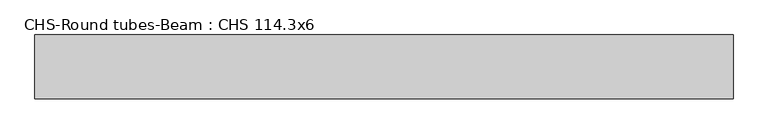
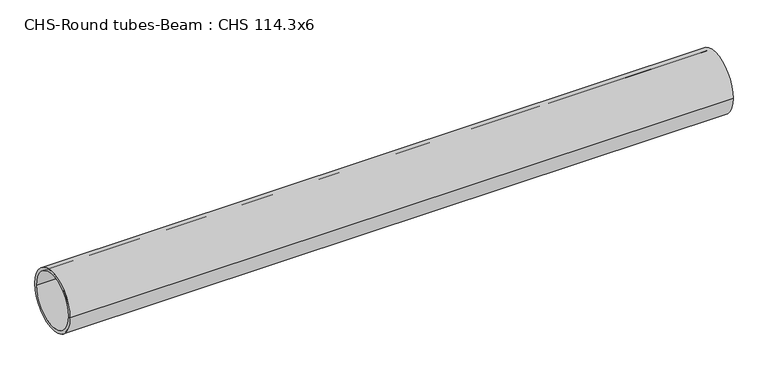
"""IFC4 building model written with IfcOpenShell, lengths in millimetres: beam geometry, CHS-Round tubes-Beam : CHS 114.3x6."""

import ifcopenshell
import ifcopenshell.guid

model = None  # the IFC model being written
_history = None  # IfcOwnerHistory: only IFC2X3 demands one
_inside = {}  # id of a spatial element -> (the spatial element, [elements in it])
_under = {}  # id of a project, library or spatial element -> (it, [spatial elements below it])
_declared = {}  # id of a project -> (the project, [libraries it declares])
_typed = {}  # id of a type object -> (the type object, [elements of that type])
_made_of = {}  # id of a material, layer set ... -> (it, [elements and type objects made of it])


def new_model(schema):
    """Start an empty IFC model of exactly this schema.

    Asked for "IFC4X3", IfcOpenShell would pick the latest addendum, in which some entities
    have other attributes; the version numbers below select the first issue.
    IFC2X3 requires an IfcOwnerHistory on every rooted entity: one is made here for all.
    """
    global model, _history
    if schema == "IFC4X3":
        model = ifcopenshell.file(schema_version=(4, 3, 0, 0))
    else:
        model = ifcopenshell.file(schema=schema)
    _inside.clear()
    _under.clear()
    _declared.clear()
    _typed.clear()
    _made_of.clear()
    _history = None
    if model.schema == "IFC2X3":
        org = make("IfcOrganization", Name="unknown")
        user = make(
            "IfcPersonAndOrganization",
            ThePerson=make("IfcPerson", FamilyName="unknown"),
            TheOrganization=org,
        )
        app = make(
            "IfcApplication",
            ApplicationDeveloper=org,
            Version="unknown",
            ApplicationFullName="unknown",
            ApplicationIdentifier="unknown",
        )
        _history = make(
            "IfcOwnerHistory",
            OwningUser=user,
            OwningApplication=app,
            ChangeAction="ADDED",
            CreationDate=0,
        )
    return model


def make(cls, **values):
    """One entity of the class cls with the attributes given. An attribute that is None is left unset."""
    return model.create_entity(
        cls, **{name: value for name, value in values.items() if value is not None}
    )


def rooted(cls, **values):
    """An entity with a GlobalId (a new one), such as an element, a storey or a relation."""
    return make(cls, GlobalId=ifcopenshell.guid.new(), OwnerHistory=_history, **values)


def si_unit(unit_type, name, prefix=None):
    """IfcSIUnit, for example si_unit("LENGTHUNIT", "METRE", prefix="MILLI")."""
    return make("IfcSIUnit", UnitType=unit_type, Prefix=prefix, Name=name)


def assignment(units):
    """IfcUnitAssignment: the units of a project."""
    return None if units is None else make("IfcUnitAssignment", Units=units)


def point(xyz):
    """IfcCartesianPoint."""
    return None if xyz is None else make("IfcCartesianPoint", Coordinates=xyz)


def direction(xyz):
    """IfcDirection."""
    return None if xyz is None else make("IfcDirection", DirectionRatios=xyz)


def frame(location, z_axis=None, x_axis=None):
    """IfcAxis2Placement3D, a coordinate frame: its origin and axes. An axis left out is left unset."""
    return make(
        "IfcAxis2Placement3D",
        Location=point(location),
        Axis=direction(z_axis),
        RefDirection=direction(x_axis),
    )


def frame_2d(location, x_axis=None):
    """IfcAxis2Placement2D, a coordinate frame in the plane: its origin and x axis."""
    return make(
        "IfcAxis2Placement2D", Location=point(location), RefDirection=direction(x_axis)
    )


def origin():
    """The frame at (0, 0, 0) with its axes left unset."""
    return frame((0.0, 0.0, 0.0))


def origin_2d():
    """The frame at (0, 0) in the plane with its x axis left unset."""
    return frame_2d((0.0, 0.0))


def place(relative_to, where):
    """IfcLocalPlacement: puts the frame where relative to a parent placement (None: the world)."""
    return make(
        "IfcLocalPlacement", PlacementRelTo=relative_to, RelativePlacement=where
    )


def context(
    kind, dimensions, precision=None, world=None, true_north=None, identifier=None
):
    """IfcGeometricRepresentationContext, for example the 3D "Model" context."""
    return make(
        "IfcGeometricRepresentationContext",
        ContextIdentifier=identifier,
        ContextType=kind,
        CoordinateSpaceDimension=dimensions,
        Precision=precision,
        WorldCoordinateSystem=world,
        TrueNorth=true_north,
    )


def project(units=None, contexts=None):
    """IfcProject with its units and contexts."""
    return rooted(
        "IfcProject",
        Name="project",
        RepresentationContexts=contexts,
        UnitsInContext=assignment(units),
    )


def spatial(cls, under=None, at=None, **own):
    """A site, building, storey or space (cls), placed at a placement, below another one or the project."""
    s = rooted(cls, ObjectPlacement=at, **own)
    if under is not None:
        _under.setdefault(under.id(), (under, []))[1].append(s)
    return s


def circle_curve(where, radius):
    """IfcCircle in the frame where."""
    return make("IfcCircle", Position=where, Radius=radius)


def trimmed(basis, trim1, trim2, sense, master):
    """IfcTrimmedCurve: the piece of a basis curve between two trims."""
    return make(
        "IfcTrimmedCurve",
        BasisCurve=basis,
        Trim1=trim1,
        Trim2=trim2,
        SenseAgreement=sense,
        MasterRepresentation=master,
    )


def segment(curve, same_sense, transition):
    """IfcCompositeCurveSegment."""
    return make(
        "IfcCompositeCurveSegment",
        Transition=transition,
        SameSense=same_sense,
        ParentCurve=curve,
    )


def composite_curve(segments, self_intersect=None):
    """IfcCompositeCurve: segments joined end to end."""
    return make("IfcCompositeCurve", Segments=segments, SelfIntersect=self_intersect)


def outline(outer, holes=None, kind="AREA"):
    """IfcArbitraryClosedProfileDef: a profile drawn as a closed curve; with holes, ...WithVoids."""
    if holes is None:
        return make("IfcArbitraryClosedProfileDef", ProfileType=kind, OuterCurve=outer)
    return make(
        "IfcArbitraryProfileDefWithVoids",
        ProfileType=kind,
        OuterCurve=outer,
        InnerCurves=holes,
    )


def extrude(swept, where, along, depth):
    """IfcExtrudedAreaSolid: the profile swept, set in the frame where, extruded along a direction by depth."""
    return make(
        "IfcExtrudedAreaSolid",
        SweptArea=swept,
        Position=where,
        ExtrudedDirection=direction(along),
        Depth=depth,
    )


def shape(context_of_items, identifier, shape_type, items):
    """IfcShapeRepresentation: the items that make up one representation, for example the "Body"."""
    return make(
        "IfcShapeRepresentation",
        ContextOfItems=context_of_items,
        RepresentationIdentifier=identifier,
        RepresentationType=shape_type,
        Items=items,
    )


def source(mapping_origin, context_of_items, identifier, shape_type, items):
    """IfcRepresentationMap: a shape defined once, which mapped items show again and again."""
    return make(
        "IfcRepresentationMap",
        MappingOrigin=mapping_origin,
        MappedRepresentation=shape(context_of_items, identifier, shape_type, items),
    )


def transform(
    local_origin,
    x_axis=None,
    y_axis=None,
    z_axis=None,
    scale=None,
    scale2=None,
    scale3=None,
    uniform=True,
):
    """IfcCartesianTransformationOperator3D, or its non-uniform kind. x_axis, y_axis, z_axis: its Axis1, 2, 3."""
    if uniform:
        return make(
            "IfcCartesianTransformationOperator3D",
            Axis1=direction(x_axis),
            Axis2=direction(y_axis),
            LocalOrigin=point(local_origin),
            Scale=scale,
            Axis3=direction(z_axis),
        )
    return make(
        "IfcCartesianTransformationOperator3DnonUniform",
        Axis1=direction(x_axis),
        Axis2=direction(y_axis),
        LocalOrigin=point(local_origin),
        Scale=scale,
        Axis3=direction(z_axis),
        Scale2=scale2,
        Scale3=scale3,
    )


def mapped(mapping_source, mapping_target):
    """IfcMappedItem: shows the shape of a source again, moved by a transform."""
    return make(
        "IfcMappedItem", MappingSource=mapping_source, MappingTarget=mapping_target
    )


def made_of(thing, what):
    """Note that an element or type object is made of a material, layer set ...; save() writes the relation."""
    if what is not None:
        _made_of.setdefault(what.id(), (what, []))[1].append(thing)
    return thing


def element(
    cls,
    number,
    at=None,
    inside=None,
    cuts=None,
    type_object=None,
    material=None,
    context=None,
    identifier="Body",
    shape_type=None,
    held_by="IfcProductDefinitionShape",
    body=None,
    shapes=None,
    **own,
):
    """One element of the class cls, such as IfcWall. Its Tag is "e" and its number.

    at: its placement. inside: the storey or other place that contains it. cuts: it is an
    opening in that element (IfcRelVoidsElement). A single representation is given by context,
    identifier, shape_type and body (its items); several are given by shapes. held_by: the class
    of the entity that holds the representations. save() writes the other relations.
    """
    e = rooted(cls, Tag="e%d" % number, ObjectPlacement=at, **own)
    if body is not None:
        shapes = [shape(context, identifier, shape_type, body)]
    if shapes is not None:
        e.Representation = make(held_by, Representations=shapes)
    if inside is not None:
        _inside.setdefault(inside.id(), (inside, []))[1].append(e)
    if cuts is not None:
        rooted(
            "IfcRelVoidsElement", RelatingBuildingElement=cuts, RelatedOpeningElement=e
        )
    if type_object is not None:
        _typed.setdefault(type_object.id(), (type_object, []))[1].append(e)
    return made_of(e, material)


def aggregate(whole, parts):
    """IfcRelAggregates: a whole, such as a stair, and the parts it consists of."""
    return rooted("IfcRelAggregates", RelatingObject=whole, RelatedObjects=parts)


def save(model, path):
    """Write the relations noted so far, then the file.

    IfcRelAggregates (storeys below a building ...), IfcRelContainedInSpatialStructure (elements
    in a storey), IfcRelDefinesByType, IfcRelAssociatesMaterial and IfcRelDeclares: one each for
    every whole, place, type object, material and project.
    """
    for whole, parts in _under.values():
        aggregate(whole, parts)
    for where, things in _inside.values():
        rooted(
            "IfcRelContainedInSpatialStructure",
            RelatedElements=things,
            RelatingStructure=where,
        )
    for kind, things in _typed.values():
        rooted("IfcRelDefinesByType", RelatedObjects=things, RelatingType=kind)
    for what, things in _made_of.values():
        rooted("IfcRelAssociatesMaterial", RelatedObjects=things, RelatingMaterial=what)
    for by, libraries in _declared.values():
        rooted("IfcRelDeclares", RelatingContext=by, RelatedDefinitions=libraries)
    model.write(path)


def chs_round_tubes_beam_chs_114_3x6_84eafbc1(model_context):
    return source(origin(), model_context, "Body", "SweptSolid", [
        extrude(outline(composite_curve([segment(trimmed(circle_curve(origin_2d(), 57.15), [point((57.15, 0.0))], [point((-57.15, 0.0))], False, "CARTESIAN"), True, "CONTINUOUS"), segment(trimmed(circle_curve(origin_2d(), 57.15), [point((-57.15, 0.0))], [point((57.15, 0.0))], False, "CARTESIAN"), True, "CONTINUOUS")], self_intersect=False), holes=[composite_curve([segment(trimmed(circle_curve(origin_2d(), 51.15), [point((51.15, 0.0))], [point((-51.15, 0.0))], True, "CARTESIAN"), True, "CONTINUOUS"), segment(trimmed(circle_curve(origin_2d(), 51.15), [point((-51.15, 0.0))], [point((51.15, 0.0))], True, "CARTESIAN"), True, "CONTINUOUS")], self_intersect=False)]), frame((-626.2456787, 0.0, 0.0), z_axis=(1.0, 0.0, 0.0), x_axis=(0.0, 1.0, 0.0)), (0.0, 0.0, 1.0), 1250.5955939),
    ])


if __name__ == "__main__":
    model = new_model("IFC4")
    model_context = context("Model", 3, world=origin())
    ifc_project = project(units=[si_unit("LENGTHUNIT", "METRE", prefix="MILLI")], contexts=[model_context])
    site = spatial("IfcSite", under=ifc_project)
    building = spatial("IfcBuilding", under=site)
    placement = place(None, origin())
    chs_round_tubes_beam_chs_114_3x6_shape = chs_round_tubes_beam_chs_114_3x6_84eafbc1(model_context)
    element("IfcBeam", 1, ObjectType="CHS-Round tubes-Beam : CHS 114.3x6", at=placement, inside=building, context=model_context, shape_type="MappedRepresentation", body=[
        mapped(chs_round_tubes_beam_chs_114_3x6_shape, transform((0.0, 0.0, 0.0), x_axis=(1.0, 0.0, 0.0), y_axis=(0.0, 1.0, 0.0), z_axis=(0.0, 0.0, 1.0))),
    ])
    save(model, "model.ifc")
